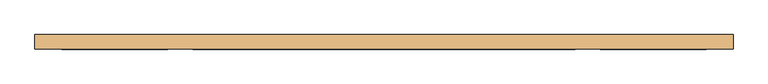
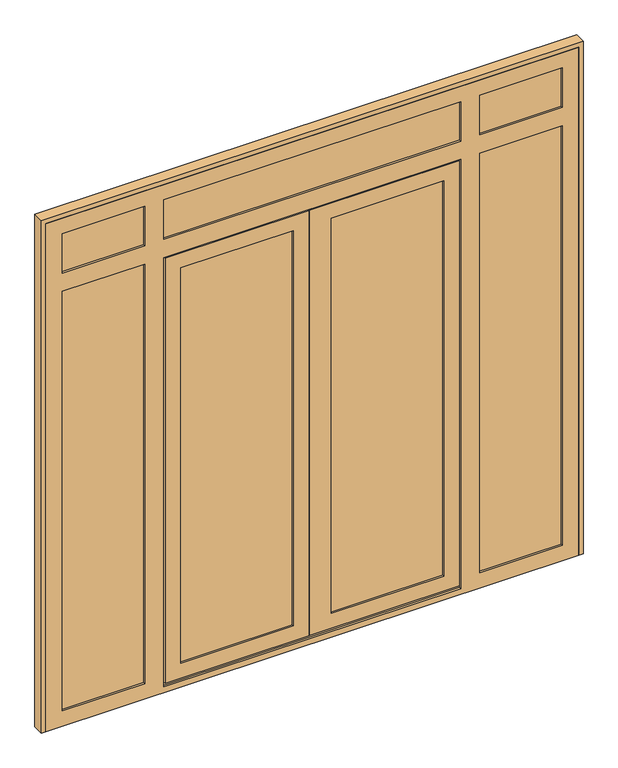
"""IFC4 building model written with IfcOpenShell, lengths in millimetres: door geometry."""

from ifc_helpers import new_model, si_unit, frame, origin, place, context, project, spatial, polyline, outline, extrude, faceted_brep, source, transform, mapped, element, save


def door_c1b915a1(model_context):
    return source(origin(), model_context, "Body", "SolidModel", [
        extrude(outline(polyline([(59.0, 59.0), (-476.0, 59.0), (-476.0, 83.0), (59.0, 83.0), (59.0, 59.0)])), frame((0.0, 0.0, 93.0), z_axis=(0.0, 0.0, 1.0), x_axis=(1.0, 0.0, 0.0)), (0.0, 0.0, 1.0), 1888.0),
        extrude(outline(polyline([(726.0, 59.0), (191.0, 59.0), (191.0, 83.0), (726.0, 83.0), (726.0, 59.0)])), frame((0.0, 0.0, 93.0), z_axis=(0.0, 0.0, 1.0), x_axis=(1.0, 0.0, 0.0)), (0.0, 0.0, 1.0), 1888.0),
        extrude(outline(polyline([(800.0, 59.0), (-550.0, 59.0), (-550.0, 83.0), (800.0, 83.0), (800.0, 59.0)])), frame((0.0, 0.0, 2105.0), z_axis=(0.0, 0.0, 1.0), x_axis=(1.0, 0.0, 0.0)), (0.0, 0.0, 1.0), 221.0),
        extrude(outline(polyline([(1251.0, 59.0), (850.0, 59.0), (850.0, 83.0), (1251.0, 83.0), (1251.0, 59.0)])), frame((0.0, 0.0, 2105.0), z_axis=(0.0, 0.0, 1.0), x_axis=(1.0, 0.0, 0.0)), (0.0, 0.0, 1.0), 221.0),
        extrude(outline(polyline([(-600.0, 59.0), (-1001.0, 59.0), (-1001.0, 83.0), (-600.0, 83.0), (-600.0, 59.0)])), frame((0.0, 0.0, 2105.0), z_axis=(0.0, 0.0, 1.0), x_axis=(1.0, 0.0, 0.0)), (0.0, 0.0, 1.0), 221.0),
        extrude(outline(polyline([(1251.0, 59.0), (850.0, 59.0), (850.0, 83.0), (1251.0, 83.0), (1251.0, 59.0)])), frame((0.0, 0.0, 54.0), z_axis=(0.0, 0.0, 1.0), x_axis=(1.0, 0.0, 0.0)), (0.0, 0.0, 1.0), 2001.0),
        extrude(outline(polyline([(-600.0, 59.0), (-1001.0, 59.0), (-1001.0, 83.0), (-600.0, 83.0), (-600.0, 59.0)])), frame((0.0, 0.0, 54.0), z_axis=(0.0, 0.0, 1.0), x_axis=(1.0, 0.0, 0.0)), (0.0, 0.0, 1.0), 2001.0),
        faceted_brep([(-552.0, 91.0, 17.0), (-552.0, 100.0, 17.0), (135.0, 100.0, 17.0), (135.0, 91.0, 17.0), (-532.0, 91.0, 17.0), (-532.0, 59.0, 17.0), (-542.0, 59.0, 17.0), (-542.0, 91.0, 17.0), (802.0, 91.0, 17.0), (792.0, 91.0, 17.0), (792.0, 59.0, 17.0), (782.0, 59.0, 17.0), (782.0, 91.0, 17.0), (140.0, 91.0, 17.0), (140.0, 100.0, 17.0), (802.0, 100.0, 17.0), (-552.0, 91.0, 2057.0), (-552.0, 100.0, 2057.0), (135.0, 100.0, 2057.0), (-458.0, 100.0, 1963.0), (-458.0, 100.0, 111.0), (41.0, 100.0, 111.0), (41.0, 100.0, 1963.0), (802.0, 100.0, 2057.0), (140.0, 100.0, 2057.0), (708.0, 100.0, 111.0), (708.0, 100.0, 1963.0), (209.0, 100.0, 1963.0), (209.0, 100.0, 111.0), (-458.0, 83.0, 1963.0), (-458.0, 83.0, 111.0), (-476.0, 83.0, 1981.0), (-476.0, 83.0, 93.0), (59.0, 83.0, 93.0), (59.0, 83.0, 1981.0), (41.0, 83.0, 1963.0), (41.0, 83.0, 111.0), (726.0, 83.0, 93.0), (726.0, 83.0, 1981.0), (191.0, 83.0, 1981.0), (191.0, 83.0, 93.0), (708.0, 83.0, 1963.0), (708.0, 83.0, 111.0), (209.0, 83.0, 111.0), (209.0, 83.0, 1963.0), (-476.0, 59.0, 1981.0), (-476.0, 59.0, 93.0), (59.0, 59.0, 1981.0), (59.0, 59.0, 93.0), (-458.0, 59.0, 1963.0), (-458.0, 59.0, 111.0), (41.0, 59.0, 111.0), (41.0, 59.0, 1963.0), (726.0, 59.0, 1981.0), (726.0, 59.0, 93.0), (191.0, 59.0, 93.0), (191.0, 59.0, 1981.0), (708.0, 59.0, 111.0), (708.0, 59.0, 1963.0), (209.0, 59.0, 1963.0), (209.0, 59.0, 111.0), (-458.0, 50.0, 1963.0), (-458.0, 50.0, 111.0), (-527.0, 50.0, 2032.0), (-527.0, 50.0, 42.0), (110.0, 50.0, 42.0), (110.0, 50.0, 2032.0), (41.0, 50.0, 1963.0), (41.0, 50.0, 111.0), (777.0, 50.0, 42.0), (777.0, 50.0, 2032.0), (115.0, 50.0, 2032.0), (115.0, 50.0, 42.0), (708.0, 50.0, 1963.0), (708.0, 50.0, 111.0), (209.0, 50.0, 111.0), (209.0, 50.0, 1963.0), (-527.0, 59.0, 2032.0), (-527.0, 59.0, 42.0), (792.0, 59.0, 2047.0), (-542.0, 59.0, 2047.0), (-532.0, 59.0, 27.0), (782.0, 59.0, 27.0), (777.0, 59.0, 2032.0), (777.0, 59.0, 42.0), (115.0, 59.0, 42.0), (115.0, 59.0, 2032.0), (110.0, 59.0, 42.0), (110.0, 59.0, 2032.0), (-542.0, 91.0, 2047.0), (135.0, 91.0, 2047.0), (135.0, 91.0, 2057.0), (792.0, 91.0, 2047.0), (802.0, 91.0, 2057.0), (140.0, 91.0, 2057.0), (140.0, 91.0, 2047.0), (782.0, 91.0, 27.0), (-532.0, 91.0, 27.0), (135.0, 91.0, 27.0), (140.0, 91.0, 27.0)], [[[0, 1, 2, 3, 4, 5, 6, 7]], [[8, 9, 10, 11, 12, 13, 14, 15]], [[1, 0, 16, 17]], [[1, 17, 18, 2], [19, 20, 21, 22]], [[23, 15, 14, 24], [25, 26, 27, 28]], [[19, 29, 30, 20]], [[31, 32, 33, 34], [30, 29, 35, 36]], [[37, 38, 39, 40], [41, 42, 43, 44]], [[31, 45, 46, 32]], [[46, 45, 47, 48], [49, 50, 51, 52]], [[53, 54, 55, 56], [57, 58, 59, 60]], [[49, 61, 62, 50]], [[63, 64, 65, 66], [62, 61, 67, 68]], [[69, 70, 71, 72], [73, 74, 75, 76]], [[63, 77, 78, 64]], [[10, 79, 80, 6, 5, 81, 82, 11], [83, 84, 85, 86], [87, 78, 77, 88]], [[7, 6, 80, 89]], [[0, 7, 89, 90, 91, 16]], [[92, 9, 8, 93, 94, 95]], [[17, 16, 91, 18]], [[93, 23, 24, 94]], [[29, 19, 22, 35]], [[26, 41, 44, 27]], [[45, 31, 34, 47]], [[38, 53, 56, 39]], [[61, 49, 52, 67]], [[58, 73, 76, 59]], [[77, 63, 66, 88]], [[70, 83, 86, 71]], [[89, 80, 79, 92, 95, 90]], [[15, 23, 93, 8]], [[41, 26, 25, 42]], [[53, 38, 37, 54]], [[73, 58, 57, 74]], [[83, 70, 69, 84]], [[79, 10, 9, 92]], [[20, 30, 36, 21]], [[42, 25, 28, 43]], [[32, 46, 48, 33]], [[54, 37, 40, 55]], [[50, 62, 68, 51]], [[74, 57, 60, 75]], [[82, 96, 12, 11]], [[97, 81, 5, 4]], [[96, 82, 81, 97, 98, 99]], [[64, 78, 87, 65]], [[84, 69, 72, 85]], [[12, 96, 99, 13]], [[97, 4, 3, 98]], [[71, 86, 85, 72]], [[76, 75, 60, 59]], [[39, 56, 55, 40]], [[44, 43, 28, 27]], [[14, 13, 99, 95, 94, 24]], [[90, 95, 99, 98]], [[3, 2, 18, 91, 90, 98]], [[36, 35, 22, 21]], [[47, 34, 33, 48]], [[68, 67, 52, 51]], [[65, 87, 88, 66]]]),
        faceted_brep([(-983.0, 100.0, 2308.0), (-983.0, 83.0, 2308.0), (-983.0, 83.0, 2123.0), (-983.0, 100.0, 2123.0), (-983.0, 83.0, 72.0), (-983.0, 100.0, 72.0), (-983.0, 100.0, 2037.0), (-983.0, 83.0, 2037.0), (-1001.0, 83.0, 2326.0), (-1001.0, 59.0, 2326.0), (-1001.0, 59.0, 2105.0), (-1001.0, 83.0, 2105.0), (-1001.0, 59.0, 54.0), (-1001.0, 83.0, 54.0), (-1001.0, 83.0, 2055.0), (-1001.0, 59.0, 2055.0), (-983.0, 59.0, 2308.0), (-983.0, 50.0, 2308.0), (-983.0, 50.0, 2123.0), (-983.0, 59.0, 2123.0), (-983.0, 50.0, 72.0), (-983.0, 59.0, 72.0), (-983.0, 59.0, 2037.0), (-983.0, 50.0, 2037.0), (-1055.0, 100.0, 0.0), (-1055.0, 50.0, 0.0), (-1055.0, 50.0, 2380.0), (-1055.0, 100.0, 2380.0), (-618.0, 100.0, 2308.0), (-618.0, 83.0, 2308.0), (1233.0, 100.0, 2308.0), (1233.0, 83.0, 2308.0), (868.0, 83.0, 2308.0), (868.0, 100.0, 2308.0), (-532.0, 100.0, 2308.0), (782.0, 100.0, 2308.0), (782.0, 83.0, 2308.0), (-532.0, 83.0, 2308.0), (-550.0, 83.0, 2326.0), (800.0, 83.0, 2326.0), (800.0, 59.0, 2326.0), (-550.0, 59.0, 2326.0), (850.0, 83.0, 2326.0), (1251.0, 83.0, 2326.0), (1251.0, 59.0, 2326.0), (850.0, 59.0, 2326.0), (-600.0, 59.0, 2326.0), (-600.0, 83.0, 2326.0), (-618.0, 59.0, 2308.0), (-618.0, 50.0, 2308.0), (1233.0, 59.0, 2308.0), (1233.0, 50.0, 2308.0), (868.0, 50.0, 2308.0), (868.0, 59.0, 2308.0), (-532.0, 59.0, 2308.0), (782.0, 59.0, 2308.0), (782.0, 50.0, 2308.0), (-532.0, 50.0, 2308.0), (1305.0, 100.0, 2380.0), (1305.0, 50.0, 2380.0), (1233.0, 100.0, 2123.0), (1233.0, 83.0, 2123.0), (1233.0, 100.0, 72.0), (1233.0, 83.0, 72.0), (1233.0, 83.0, 2037.0), (1233.0, 100.0, 2037.0), (1251.0, 83.0, 2105.0), (1251.0, 59.0, 2105.0), (1251.0, 83.0, 54.0), (1251.0, 59.0, 54.0), (1251.0, 59.0, 2055.0), (1251.0, 83.0, 2055.0), (1233.0, 59.0, 2123.0), (1233.0, 50.0, 2123.0), (1233.0, 59.0, 72.0), (1233.0, 50.0, 72.0), (1233.0, 50.0, 2037.0), (1233.0, 59.0, 2037.0), (1305.0, 50.0, 0.0), (1305.0, 100.0, 0.0), (807.0, 100.0, 9.0), (-557.0, 100.0, 9.0), (-557.0, 91.0, 9.0), (807.0, 91.0, 9.0), (-557.0, 91.0, 2062.0), (807.0, 91.0, 2062.0), (-542.0, 91.0, 2047.0), (-542.0, 91.0, 27.0), (792.0, 91.0, 27.0), (792.0, 91.0, 2047.0), (-532.0, 50.0, 27.0), (782.0, 50.0, 27.0), (782.0, 59.0, 27.0), (792.0, 59.0, 27.0), (-542.0, 59.0, 27.0), (-532.0, 59.0, 27.0), (-557.0, 100.0, 2062.0), (807.0, 100.0, 2062.0), (792.0, 59.0, 2047.0), (-542.0, 59.0, 2047.0), (-532.0, 50.0, 2037.0), (-532.0, 59.0, 2037.0), (-618.0, 83.0, 72.0), (-618.0, 83.0, 2037.0), (-618.0, 100.0, 2037.0), (-618.0, 100.0, 72.0), (868.0, 83.0, 2037.0), (868.0, 83.0, 72.0), (868.0, 100.0, 72.0), (868.0, 100.0, 2037.0), (782.0, 50.0, 2037.0), (782.0, 59.0, 2037.0), (-618.0, 100.0, 2123.0), (868.0, 100.0, 2123.0), (-532.0, 100.0, 2123.0), (782.0, 100.0, 2123.0), (-600.0, 83.0, 54.0), (-600.0, 83.0, 2055.0), (-600.0, 83.0, 2105.0), (-618.0, 83.0, 2123.0), (-550.0, 83.0, 2105.0), (800.0, 83.0, 2105.0), (782.0, 83.0, 2123.0), (-532.0, 83.0, 2123.0), (850.0, 83.0, 2105.0), (868.0, 83.0, 2123.0), (850.0, 83.0, 2055.0), (850.0, 83.0, 54.0), (-600.0, 59.0, 54.0), (-600.0, 59.0, 2055.0), (-618.0, 59.0, 72.0), (-618.0, 59.0, 2037.0), (-600.0, 59.0, 2105.0), (-618.0, 59.0, 2123.0), (850.0, 59.0, 2105.0), (868.0, 59.0, 2123.0), (850.0, 59.0, 54.0), (850.0, 59.0, 2055.0), (868.0, 59.0, 2037.0), (868.0, 59.0, 72.0), (800.0, 59.0, 2105.0), (-550.0, 59.0, 2105.0), (-532.0, 59.0, 2123.0), (782.0, 59.0, 2123.0), (-618.0, 50.0, 72.0), (-618.0, 50.0, 2037.0), (-618.0, 50.0, 2123.0), (868.0, 50.0, 72.0), (868.0, 50.0, 2037.0), (868.0, 50.0, 2123.0), (782.0, 50.0, 2123.0), (-532.0, 50.0, 2123.0)], [[[0, 1, 2, 3]], [[4, 5, 6, 7]], [[8, 9, 10, 11]], [[12, 13, 14, 15]], [[16, 17, 18, 19]], [[20, 21, 22, 23]], [[24, 25, 26, 27]], [[1, 0, 28, 29]], [[30, 31, 32, 33]], [[34, 35, 36, 37]], [[38, 39, 40, 41]], [[42, 43, 44, 45]], [[46, 9, 8, 47]], [[17, 16, 48, 49]], [[50, 51, 52, 53]], [[54, 55, 56, 57]], [[58, 27, 26, 59]], [[31, 30, 60, 61]], [[62, 63, 64, 65]], [[44, 43, 66, 67]], [[68, 69, 70, 71]], [[51, 50, 72, 73]], [[74, 75, 76, 77]], [[58, 59, 78, 79]], [[80, 81, 82, 83]], [[82, 84, 85, 83], [86, 87, 88, 89]], [[90, 91, 92, 93, 88, 87, 94, 95]], [[96, 97, 85, 84]], [[86, 89, 98, 99]], [[100, 90, 95, 101]], [[87, 86, 99, 94]], [[81, 96, 84, 82]], [[102, 103, 104, 105]], [[106, 107, 108, 109]], [[97, 80, 83, 85]], [[89, 88, 93, 98]], [[91, 110, 111, 92]], [[58, 79, 24, 27], [6, 5, 105, 104], [0, 3, 112, 28], [30, 33, 113, 60], [35, 34, 114, 115], [62, 65, 109, 108], [81, 80, 97, 96]], [[5, 4, 102, 105]], [[14, 13, 116, 117], [4, 7, 103, 102]], [[8, 11, 118, 47], [2, 1, 29, 119]], [[39, 38, 120, 121], [37, 36, 122, 123]], [[66, 43, 42, 124], [31, 61, 125, 32]], [[68, 71, 126, 127], [64, 63, 107, 106]], [[13, 12, 128, 116]], [[12, 15, 129, 128], [22, 21, 130, 131]], [[10, 9, 46, 132], [16, 19, 133, 48]], [[44, 67, 134, 45], [72, 50, 53, 135]], [[70, 69, 136, 137], [74, 77, 138, 139]], [[40, 140, 141, 41], [55, 54, 142, 143]], [[111, 101, 95, 94, 99, 98, 93, 92]], [[21, 20, 144, 130]], [[26, 25, 78, 59], [20, 23, 145, 144], [18, 17, 49, 146], [76, 75, 147, 148], [91, 90, 100, 110], [73, 149, 52, 51], [150, 151, 57, 56]], [[25, 24, 79, 78]], [[63, 62, 108, 107]], [[69, 68, 127, 136]], [[75, 74, 139, 147]], [[116, 128, 129, 117]], [[144, 145, 131, 130]], [[148, 147, 139, 138]], [[136, 127, 126, 137]], [[142, 54, 57, 151]], [[41, 141, 120, 38]], [[114, 34, 37, 123]], [[28, 112, 119, 29]], [[113, 33, 32, 125]], [[35, 115, 122, 36]], [[140, 40, 39, 121]], [[55, 143, 150, 56]], [[132, 46, 47, 118]], [[48, 133, 146, 49]], [[135, 53, 52, 149]], [[45, 134, 124, 42]], [[3, 2, 119, 112]], [[61, 60, 113, 125]], [[115, 114, 123, 122]], [[7, 6, 104, 103]], [[65, 64, 106, 109]], [[15, 14, 117, 129]], [[71, 70, 137, 126]], [[23, 22, 131, 145]], [[77, 76, 148, 138]], [[110, 100, 101, 111]], [[19, 18, 146, 133]], [[73, 72, 135, 149]], [[143, 142, 151, 150]], [[118, 11, 10, 132]], [[121, 120, 141, 140]], [[134, 67, 66, 124]]]),
        extrude(outline(polyline([(2400.0, -1075.0), (0.0, -1075.0), (0.0, -1055.0), (2380.0, -1055.0), (2380.0, 1305.0), (0.0, 1305.0), (0.0, 1325.0), (2400.0, 1325.0), (2400.0, -1075.0)])), frame((0.0, 50.0, 0.0), z_axis=(0.0, 1.0, 0.0), x_axis=(0.0, 0.0, 1.0)), (0.0, 0.0, 1.0), 50.0),
    ])


if __name__ == "__main__":
    model = new_model("IFC4")
    model_context = context("Model", 3, world=origin())
    ifc_project = project(units=[si_unit("LENGTHUNIT", "METRE", prefix="MILLI")], contexts=[model_context])
    site = spatial("IfcSite", under=ifc_project)
    building = spatial("IfcBuilding", under=site)
    placement = place(None, origin())
    door_shape = door_c1b915a1(model_context)
    element("IfcDoor", 1, at=placement, inside=building, context=model_context, shape_type="MappedRepresentation", body=[
        mapped(door_shape, transform((0.0, 0.0, 0.0), x_axis=(1.0, 0.0, 0.0), y_axis=(0.0, 1.0, 0.0), z_axis=(0.0, 0.0, 1.0))),
    ])
    save(model, "model.ifc")
